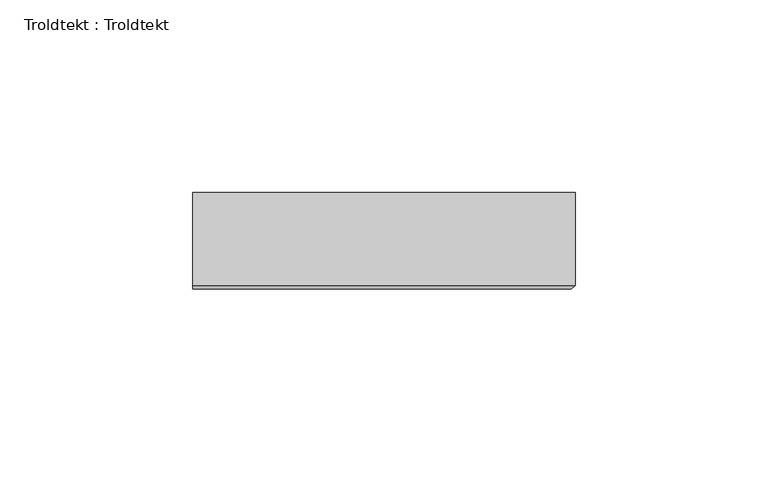
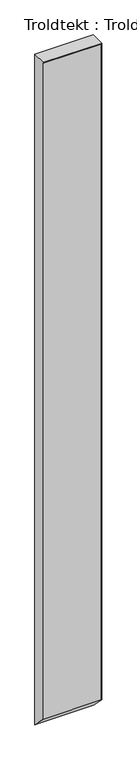
"""IFC4 building model written with IfcOpenShell, lengths in millimetres: proxy geometry, Troldtekt : Troldtekt."""

from ifc_helpers import new_model, si_unit, origin, place, context, project, spatial, faceted_brep, source, transform, mapped, element, save


def troldtekt_troldtekt_2c60f46a(model_context):
    return source(origin(), model_context, "Body", "Brep", [
        faceted_brep([(201.0, 12.5, 1200.0), (201.0, -11.495044, 1200.0), (300.0, -11.495044, 1200.0), (300.0, 12.5, 1200.0), (201.0, -12.5, 1198.995044), (201.0, -12.5, 26.0), (298.995044, -12.5, 26.0), (298.995044, -12.5, 1198.995044), (300.0, 12.5, 1.0), (201.0, 12.5, 1.0), (300.0, -11.495044, 24.995044)], [[[0, 1, 2, 3]], [[4, 5, 6, 7]], [[3, 8, 9, 0]], [[2, 10, 8, 3]], [[7, 6, 10, 2]], [[2, 1, 4, 7]], [[0, 9, 5, 4, 1]], [[5, 9, 8, 10, 6]]]),
    ])


if __name__ == "__main__":
    model = new_model("IFC4")
    model_context = context("Model", 3, world=origin())
    ifc_project = project(units=[si_unit("LENGTHUNIT", "METRE", prefix="MILLI")], contexts=[model_context])
    site = spatial("IfcSite", under=ifc_project)
    building = spatial("IfcBuilding", under=site)
    placement = place(None, origin())
    troldtekt_troldtekt_shape = troldtekt_troldtekt_2c60f46a(model_context)
    element("IfcBuildingElementProxy", 1, Name="Troldtekt : Troldtekt", ObjectType="Troldtekt : Troldtekt", at=placement, inside=building, context=model_context, shape_type="MappedRepresentation", body=[
        mapped(troldtekt_troldtekt_shape, transform((0.0, 0.0, 0.0), x_axis=(1.0, 0.0, 0.0), y_axis=(0.0, 1.0, 0.0), z_axis=(0.0, 0.0, 1.0))),
    ])
    save(model, "model.ifc")
